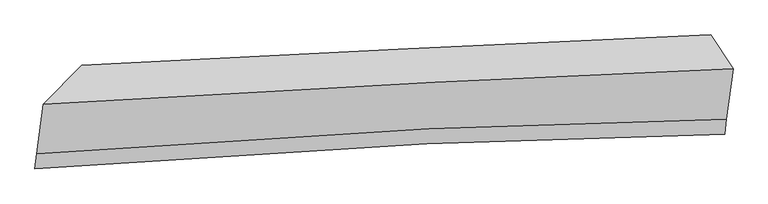
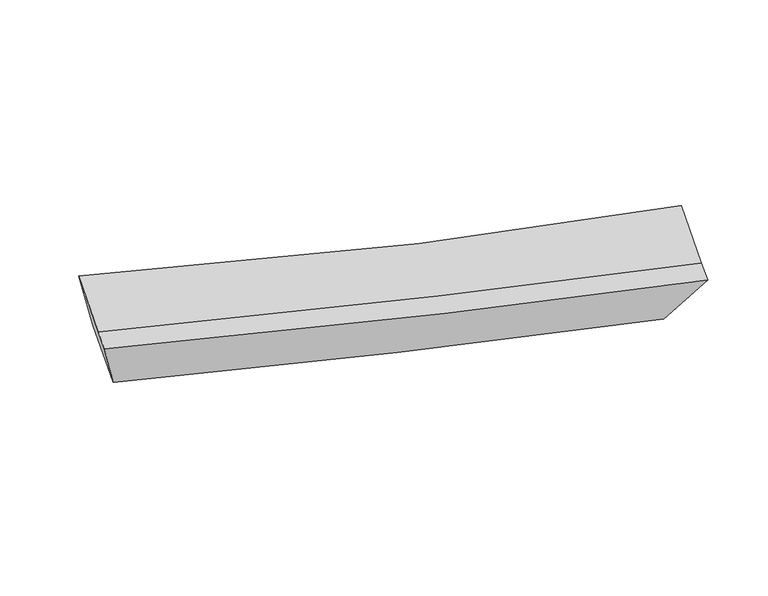
"""IFC4 building model written with IfcOpenShell, lengths in millimetres: proxy geometry."""

from ifc_helpers import new_model, si_unit, frame, origin, place, context, project, spatial, source, transform, mapped, element, save
from ifc_brep_helpers import plane_surface, spline_curve, spline_surface, advanced_brep


def generic_models_8598cea8(model_context):
    return source(origin(), model_context, "Body", "AdvancedBrep", [
        advanced_brep(
        [(-2144.6776026, -1803.0664643, 3627.0267105), (-2457.4809494, -2121.4610119, 4397.2108566), (3156.5401849, -1832.1403968, 2929.9237196), (2975.6399994, -1556.8103822, 2294.976935), (-2509.8947586, -2522.2087309, 4125.3985323), (3102.7831934, -2243.1578755, 2651.145798), (-2526.0366387, -2645.6270005, 4041.6884944), (3086.6413133, -2366.5761451, 2567.4357601), (-2198.7936945, -2216.829568, 3346.3865332), (2921.589394, -1970.0727871, 2014.6763631)],
        [
            (0, 1),
            (1, 2, spline_curve(3, [(-2457.4809494, -2121.4610119, 4397.2108566), (-1362.467786521, -2053.355915111, 4050.382837217), (-300.955107177, -1993.429788174, 3745.826826126), (1558.815297438, -1899.814332693, 3271.330485931), (2368.642996146, -1863.300254161, 3086.790784269), (3156.5401849, -1832.1403968, 2929.9237196)], [4, 2, 4], [0.0, 10.075625415293818, 18.22775063596765])),
            (2, 3),
            (3, 0, spline_curve(3, [(2975.6399994, -1556.8103822, 2294.976935), (2108.706975931, -1594.387031941, 2473.715901366), (1288.108214986, -1631.576805803, 2661.328810694), (-443.109085014, -1713.866272225, 3100.663738496), (-1329.282857705, -1758.761859404, 3357.067420796), (-2144.6776026, -1803.0664643, 3627.0267105)], [4, 2, 4], [0.0, 8.152125220673831, 18.22775063596765])),
            (1, 4),
            (4, 5, spline_curve(3, [(-2509.8947586, -2522.2087309, 4125.3985323), (-1412.263391921, -2434.085261379, 3792.148233069), (-349.716556776, -2366.252141344, 3492.955242554), (1509.059042037, -2280.242814034, 3013.299947203), (2317.404857572, -2255.058982076, 2821.075359433), (3102.7831934, -2243.1578755, 2651.145798)], [4, 2, 4], [0.0, 10.539761937494958, 19.067417102218563])),
            (5, 2),
            (4, 6),
            (6, 7, spline_curve(3, [(-2526.0366387, -2645.6270005, 4041.6884944), (-1428.405272011, -2557.503531195, 3708.438194945), (-365.85843693, -2489.670411031, 3409.245204565), (1492.917161981, -2403.661083563, 2929.589909375), (2301.262977221, -2378.477251667, 2737.365321552), (3086.6413133, -2366.5761451, 2567.4357601)], [4, 2, 4], [0.0, 10.53960509803381, 19.067133364934786])),
            (7, 5),
            (6, 8),
            (8, 9, spline_curve(3, [(-2198.7936945, -2216.829568, 3346.3865332), (-1380.051636641, -2146.93193424, 3093.786046462), (-492.374151554, -2090.539200887, 2845.180452237), (1238.228257644, -2012.95109259, 2402.656767291), (2057.345135353, -1987.091565361, 2207.358971795), (2921.589394, -1970.0727871, 2014.6763631)], [4, 2, 4], [0.0, 10.074619727681386, 18.225931252826502])),
            (9, 7),
            (8, 0),
            (3, 9),
        ],
        [
            spline_surface(3, 3, [[(-2144.6776026, -1803.0664643, 3627.0267105), (-1329.282857802, -1758.761859378, 3357.06742093), (-443.109084932, -1713.866272348, 3100.663738432), (1288.108214919, -1631.576805703, 2661.328810746), (2108.706976019, -1594.387032028, 2473.715901446), (2975.6399994, -1556.8103822, 2294.976935)], [(-2248.945384863, -1909.197980172, 3883.754759187), (-1340.344500709, -1856.959877905, 3588.172559638), (-395.724425685, -1807.054110995, 3315.718101049), (1378.343909096, -1720.98931466, 2864.662702455), (2195.352316067, -1684.024772752, 2678.07419576), (3035.940061212, -1648.587053728, 2506.625863226)], [(-2353.213167137, -2015.329496028, 4140.482807913), (-1351.406143627, -1955.157896418, 3819.277698386), (-348.339766438, -1900.241949656, 3530.772463628), (1468.579603273, -1810.401823632, 3067.996594126), (2281.997656179, -1773.662513491, 2882.432489996), (3096.240123088, -1740.363725272, 2718.274791374)], [(-2457.4809494, -2121.4610119, 4397.2108566), (-1362.467786535, -2053.355914946, 4050.382837094), (-300.955107191, -1993.429788303, 3745.826826245), (1558.81529745, -1899.814332589, 3271.330485835), (2368.642996227, -1863.300254215, 3086.790784309), (3156.5401849, -1832.1403968, 2929.9237196)]], [4, 4], [4, 2, 4], [0.0, 2.3462877460208724], [0.0, 10.075625415293818, 18.22775063596765]),
            spline_surface(3, 3, [[(-2457.4809494, -2121.4610119, 4397.2108566), (-1362.467786535, -2053.355914946, 4050.382837094), (-300.955107191, -1993.429788303, 3745.826826245), (1558.81529745, -1899.814332589, 3271.330485835), (2368.642996227, -1863.300254215, 3086.790784309), (3156.5401849, -1832.1403968, 2929.9237196)], [(-2474.952219129, -2255.043584882, 4306.606748498), (-1379.066321699, -2180.265697086, 3964.304635697), (-317.208923708, -2117.703906022, 3661.536298336), (1542.229878999, -2026.623826403, 3185.320306292), (2351.563616654, -1993.886496866, 2998.218976013), (3138.62118775, -1969.146223027, 2836.997745703)], [(-2492.423488871, -2388.626157918, 4216.002640402), (-1395.664856877, -2307.175479282, 3878.226434306), (-333.462740273, -2241.97802369, 3577.245770441), (1525.644460499, -2153.433320167, 3099.310126763), (2334.484237029, -2124.472739536, 2909.64716781), (3120.70219055, -2106.152049273, 2744.071771897)], [(-2509.8947586, -2522.2087309, 4125.3985323), (-1412.263392042, -2434.085261422, 3792.148232909), (-349.716556789, -2366.252141409, 3492.955242532), (1509.059042048, -2280.242813981, 3013.299947221), (2317.404857456, -2255.058982187, 2821.075359514), (3102.7831934, -2243.1578755, 2651.145798)]], [4, 4], [4, 2, 4], [0.0, 1.4999000708679404], [0.0, 10.539761937494958, 19.067417102218563]),
            spline_surface(3, 3, [[(-2509.8947586, -2522.2087309, 4125.3985323), (-1412.263392042, -2434.085261422, 3792.148232909), (-349.716556789, -2366.252141409, 3492.955242532), (1509.059042048, -2280.242813981, 3013.299947221), (2317.404857456, -2255.058982187, 2821.075359514), (3102.7831934, -2243.1578755, 2651.145798)], [(-2515.275385303, -2563.348154099, 4097.495186351), (-1417.644018744, -2475.224684621, 3764.24488696), (-355.097183492, -2407.391564608, 3465.051896582), (1503.678415345, -2321.38223718, 2985.396601272), (2312.024230754, -2296.198405386, 2793.172013565), (3097.402566697, -2284.297298699, 2623.242452051)], [(-2520.656011997, -2604.487577301, 4069.591840349), (-1423.024645439, -2516.364107824, 3736.341540959), (-360.477810187, -2448.53098781, 3437.148550581), (1498.297788651, -2362.521660383, 2957.493255271), (2306.643604059, -2337.337828589, 2765.268667564), (3092.021940003, -2325.436721901, 2595.339106049)], [(-2526.0366387, -2645.6270005, 4041.6884944), (-1428.405272142, -2557.503531022, 3708.438195009), (-365.858436889, -2489.670411009, 3409.245204632), (1492.917161948, -2403.661083581, 2929.589909321), (2301.262977356, -2378.477251787, 2737.365321614), (3086.6413133, -2366.5761451, 2567.4357601)]], [4, 4], [4, 2, 4], [0.0, 0.4921259842519658], [0.0, 10.53960509803381, 19.067133364934786]),
            spline_surface(3, 3, [[(-2526.0366387, -2645.6270005, 4041.6884944), (-1428.405272142, -2557.503531022, 3708.438195009), (-365.858436889, -2489.670411009, 3409.245204632), (1492.917161948, -2403.661083581, 2929.589909321), (2301.262977356, -2378.477251787, 2737.365321614), (3086.6413133, -2366.5761451, 2567.4357601)], [(-2416.955657287, -2502.694523011, 3809.921173975), (-1412.287393578, -2420.646332077, 3503.5541455), (-408.030341737, -2356.626674322, 3221.223620423), (1408.020860502, -2273.424419874, 2753.945528658), (2219.957030039, -2248.015356313, 2560.696538347), (3031.624006866, -2234.408359085, 2383.18262776)], [(-2307.874675913, -2359.762045489, 3578.153853625), (-1396.169515053, -2283.7891331, 3298.670096068), (-450.202246619, -2223.58293768, 3033.202036294), (1323.124559021, -2143.187756211, 2578.301148077), (2138.651082723, -2117.553460883, 2384.027755101), (2976.606700434, -2102.240573115, 2198.92949544)], [(-2198.7936945, -2216.829568, 3346.3865332), (-1380.051636489, -2146.931934155, 3093.786046559), (-492.374151467, -2090.539200993, 2845.180452085), (1238.228257574, -2012.951092504, 2402.656767414), (2057.345135406, -1987.091565409, 2207.358971834), (2921.589394, -1970.0727871, 2014.6763631)]], [4, 4], [4, 2, 4], [0.0, 2.296428791550562], [0.0, 10.074619727681386, 18.225931252826502]),
            spline_surface(3, 3, [[(-2198.7936945, -2216.829568, 3346.3865332), (-1380.051636489, -2146.931934155, 3093.786046559), (-492.374151467, -2090.539200993, 2845.180452085), (1238.228257574, -2012.951092504, 2402.656767414), (2057.345135406, -1987.091565409, 2207.358971834), (2921.589394, -1970.0727871, 2014.6763631)], [(-2180.754997218, -2078.908533437, 3439.93325899), (-1363.128710278, -2017.541909233, 3181.546504706), (-475.952462647, -1964.981558116, 2930.341547536), (1254.854909997, -1885.826330241, 2488.88078186), (2074.465748951, -1856.190054309, 2296.144615033), (2939.606262474, -1832.318652161, 2108.109887061)], [(-2162.716299882, -1940.987498863, 3533.47998471), (-1346.205784013, -1888.151884299, 3269.306962783), (-459.530773752, -1839.423915226, 3015.502642981), (1271.481562496, -1758.701567966, 2575.1047963), (2091.586362474, -1725.288543127, 2384.930258248), (2957.623130926, -1694.564517139, 2201.543411039)], [(-2144.6776026, -1803.0664643, 3627.0267105), (-1329.282857802, -1758.761859378, 3357.06742093), (-443.109084932, -1713.866272348, 3100.663738432), (1288.108214919, -1631.576805703, 2661.328810746), (2108.706976019, -1594.387032028, 2473.715901446), (2975.6399994, -1556.8103822, 2294.976935)]], [4, 4], [4, 2, 4], [0.0, 1.5109013389961576], [0.0, 9.608961618265681, 17.383512092705505]),
            plane_surface(frame((3035.1027229, -1931.3999278, 2451.7531945), z_axis=(0.9658278037326933, 0.04660882377394228, -0.2549593518255248), x_axis=(-0.23578845614486296, 0.5664333686341732, -0.7896562814583096))),
            plane_surface(frame((-2331.7472213, -2196.7460112, 3853.0781487), z_axis=(-0.9220273803663961, 0.29255303140792377, -0.2535315240137128), x_axis=(-0.10761253405493733, -0.8227884639712137, -0.5580669189892605))),
        ],
        [
            (0, [[1, 2, 3, 4]]),
            (1, [[5, 6, 7, -2]]),
            (2, [[8, 9, 10, -6]]),
            (3, [[11, 12, 13, -9]]),
            (4, [[14, -4, 15, -12]]),
            (5, [[-13, -15, -3, -7, -10]]),
            (6, [[-14, -11, -8, -5, -1]]),
        ],
    ),
    ])


if __name__ == "__main__":
    model = new_model("IFC4")
    model_context = context("Model", 3, world=origin())
    ifc_project = project(units=[si_unit("LENGTHUNIT", "METRE", prefix="MILLI")], contexts=[model_context])
    site = spatial("IfcSite", under=ifc_project)
    building = spatial("IfcBuilding", under=site)
    placement = place(None, origin())
    generic_models_shape = generic_models_8598cea8(model_context)
    element("IfcBuildingElementProxy", 1, Name="Generic Models", at=placement, inside=building, context=model_context, shape_type="MappedRepresentation", body=[
        mapped(generic_models_shape, transform((0.0, 0.0, 0.0), x_axis=(1.0, 0.0, 0.0), y_axis=(0.0, 1.0, 0.0), z_axis=(0.0, 0.0, 1.0))),
    ])
    save(model, "model.ifc")
